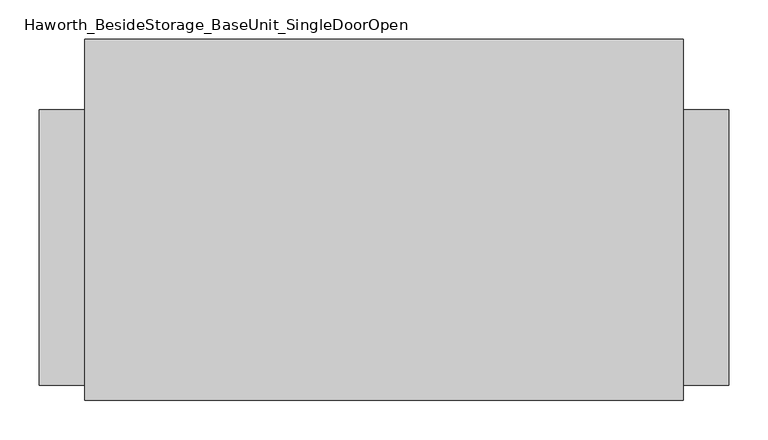
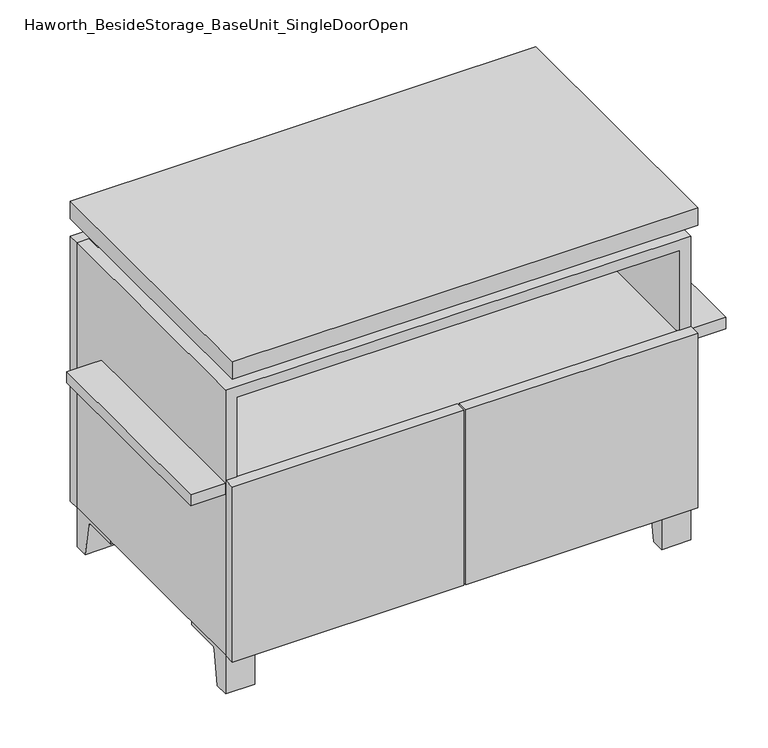
"""IFC4 building model written with IfcOpenShell, lengths in millimetres: furniture geometry, Haworth_BesideStorage_BaseUnit_SingleDoorOpen."""

from ifc_helpers import new_model, si_unit, point, frame, frame_2d, origin, place, context, project, spatial, polyline, circle_curve, trimmed, segment, composite_curve, outline, extrude, faceted_brep, source, transform, mapped, element, save


def haworth_besidestorage_baseunit_singledooropen_20f093f8(model_context):
    return source(origin(), model_context, "Body", "SolidModel", [
        extrude(outline(composite_curve([segment(polyline([(-123.2958469, 0.0), (-146.05, 0.0), (-146.05, 66.675), (-50.8, 66.675), (-50.8, 61.8963321), (-107.6005345, 61.8963321)]), True, "CONTINUOUS"), segment(trimmed(circle_curve(frame_2d((-107.6005345, 55.5463321)), 6.35), [point((-107.6005345, 61.8963321))], [point((-113.8641359, 56.5902656))], True, "CARTESIAN"), True, "CONTINUOUS"), segment(polyline([(-113.8641359, 56.5902656), (-123.2958469, 0.0)]), True, "CONTINUOUS")], self_intersect=False)), frame((331.8013906, 0.0, 0.0), z_axis=(1.0, 0.0, 0.0), x_axis=(0.0, 1.0, 0.0)), (0.0, 0.0, 1.0), 47.625),
        extrude(outline(composite_curve([segment(polyline([(250.2958469, 0.0), (240.8641359, 56.5902656)]), True, "CONTINUOUS"), segment(trimmed(circle_curve(frame_2d((234.6005345, 55.5463321)), 6.35), [point((240.8641359, 56.5902656))], [point((234.6005345, 61.8963321))], True, "CARTESIAN"), True, "CONTINUOUS"), segment(polyline([(234.6005345, 61.8963321), (177.8, 61.8963321), (177.8, 66.675), (273.05, 66.675), (273.05, 0.0), (250.2958469, 0.0)]), True, "CONTINUOUS")], self_intersect=False)), frame((331.8013906, 0.0, 0.0), z_axis=(1.0, 0.0, 0.0), x_axis=(0.0, 1.0, 0.0)), (0.0, 0.0, 1.0), 47.625),
        extrude(outline(composite_curve([segment(polyline([(-123.2958469, 0.0), (-146.05, 0.0), (-146.05, 66.675), (-50.8, 66.675), (-50.8, 61.8963321), (-107.6005345, 61.8963321)]), True, "CONTINUOUS"), segment(trimmed(circle_curve(frame_2d((-107.6005345, 55.5463321)), 6.35), [point((-107.6005345, 61.8963321))], [point((-113.8641359, 56.5902656))], True, "CARTESIAN"), True, "CONTINUOUS"), segment(polyline([(-113.8641359, 56.5902656), (-123.2958469, 0.0)]), True, "CONTINUOUS")], self_intersect=False)), frame((-379.3986094, 0.0, 0.0), z_axis=(1.0, 0.0, 0.0), x_axis=(0.0, 1.0, 0.0)), (0.0, 0.0, 1.0), 47.625),
        extrude(outline(composite_curve([segment(polyline([(250.2958469, 0.0), (240.8641359, 56.5902656)]), True, "CONTINUOUS"), segment(trimmed(circle_curve(frame_2d((234.6005345, 55.5463321)), 6.35), [point((240.8641359, 56.5902656))], [point((234.6005345, 61.8963321))], True, "CARTESIAN"), True, "CONTINUOUS"), segment(polyline([(234.6005345, 61.8963321), (177.8, 61.8963321), (177.8, 66.675), (273.05, 66.675), (273.05, 0.0), (250.2958469, 0.0)]), True, "CONTINUOUS")], self_intersect=False)), frame((-379.3986094, 0.0, 0.0), z_axis=(1.0, 0.0, 0.0), x_axis=(0.0, 1.0, 0.0)), (0.0, 0.0, 1.0), 47.625),
        faceted_brep([(-379.3986094, -146.05, 66.675), (379.4125, -146.05, 66.675), (379.4125, -146.05, 523.875), (-379.3986094, -146.05, 523.875), (-360.3486094, -146.05, 85.725), (-360.3486094, -146.05, 504.825), (360.3694453, -146.05, 504.825), (360.3486094, -146.05, 85.725), (-379.3986094, 273.05, 66.675), (-379.3986094, 273.05, 523.875), (-360.3486094, 273.05, 523.875), (-360.3486094, 273.05, 85.725), (360.3486094, 273.05, 85.725), (360.3486094, 273.05, 523.875), (379.4125, 273.05, 523.875), (379.4125, 273.05, 66.675), (360.3486094, 247.65, 523.875), (-360.3416641, 247.65, 523.875), (-360.3486094, 247.65, 504.825), (360.3486094, 247.65, 504.825)], [[[0, 1, 2, 3], [4, 5, 6, 7]], [[8, 9, 10, 11, 12, 13, 14, 15]], [[1, 0, 8, 15]], [[2, 1, 15, 14]], [[3, 2, 14, 13, 16, 17, 10, 9]], [[0, 3, 9, 8]], [[11, 10, 17, 18, 5, 4]], [[13, 12, 7, 6, 19, 16]], [[4, 7, 12, 11]], [[6, 5, 18, 19]], [[17, 16, 19, 18]]]),
        extrude(outline(polyline([(379.4263906, -165.1), (-379.3986094, -165.1), (-379.3986094, 292.1), (379.4263906, 292.1), (379.4263906, -165.1)])), frame((0.0, 0.0, 554.0375), z_axis=(0.0, 0.0, 1.0), x_axis=(1.0, 0.0, 0.0)), (0.0, 0.0, 1.0), 30.1625),
        faceted_brep([(7.9513906, -69.85, 554.0375), (7.9513906, -69.85, 523.875), (7.9513906, 53.975, 523.875), (7.9513906, 53.975, 554.0375), (7.9513906, 196.85, 523.875), (7.9513906, 196.85, 554.0375), (7.9513906, 73.025, 554.0375), (7.9513906, 73.025, 523.875), (-7.9236094, 196.85, 554.0375), (-7.9236094, 196.85, 523.875), (-7.9236094, 73.025, 523.875), (-7.9236094, 73.025, 554.0375), (-7.9236094, -69.85, 523.875), (-7.9236094, -69.85, 554.0375), (-7.9236094, 53.975, 554.0375), (-7.9236094, 53.975, 523.875), (-338.0958281, 73.025, 554.0375), (-338.1166641, 247.65, 554.0375), (-353.9916641, 247.65, 554.0375), (-353.9916641, -120.65, 554.0375), (-338.1166641, -120.65, 554.0375), (-338.1166641, 53.975, 554.0375), (338.1236094, 53.975, 554.0375), (338.1236094, -120.65, 554.0375), (353.9986094, -120.65, 554.0375), (353.9986094, 247.65, 554.0375), (338.1236094, 247.65, 554.0375), (338.1236094, 73.025, 554.0375), (-338.0958281, 53.975, 523.875), (-338.1166641, -120.65, 523.875), (-353.9916641, -120.65, 523.875), (-353.9916641, 247.65, 523.875), (-338.1166641, 247.65, 523.875), (-338.1166641, 73.025, 523.875), (338.1236094, 73.025, 523.875), (338.1236094, 247.65, 523.875), (353.9986094, 247.65, 523.875), (353.9986094, -120.65, 523.875), (338.1236094, -120.65, 523.875), (338.1236094, 53.975, 523.875)], [[[0, 1, 2, 3]], [[4, 5, 6, 7]], [[8, 9, 10, 11]], [[12, 13, 14, 15]], [[5, 8, 11, 16, 17, 18, 19, 20, 21, 14, 13, 0, 3, 22, 23, 24, 25, 26, 27, 6]], [[1, 12, 15, 28, 29, 30, 31, 32, 33, 10, 9, 4, 7, 34, 35, 36, 37, 38, 39, 2]], [[5, 4, 9, 8]], [[1, 0, 13, 12]], [[6, 27, 34, 7]], [[22, 3, 2, 39]], [[20, 29, 28, 21]], [[32, 17, 16, 33]], [[18, 31, 30, 19]], [[29, 20, 19, 30]], [[17, 32, 31, 18]], [[26, 35, 34, 27]], [[38, 23, 22, 39]], [[25, 24, 37, 36]], [[23, 38, 37, 24]], [[35, 26, 25, 36]], [[16, 11, 10, 33]], [[14, 21, 28, 15]]]),
        extrude(outline(polyline([(379.4263906, 273.05), (-379.3986094, 273.05), (-379.3986094, 292.1), (379.4263906, 292.1), (379.4263906, 273.05)])), frame((0.0, 0.0, 66.675), z_axis=(0.0, 0.0, 1.0), x_axis=(1.0, 0.0, 0.0)), (0.0, 0.0, 1.0), 457.2),
        extrude(outline(polyline([(-360.3416641, 203.2), (-360.3416641, 209.55), (360.3694453, 209.55), (360.3694453, 203.2), (-360.3416641, 203.2)])), frame((0.0, 0.0, 85.725), z_axis=(0.0, 0.0, 1.0), x_axis=(1.0, 0.0, 0.0)), (0.0, 0.0, 1.0), 419.1),
        extrude(outline(polyline([(1.6013906, -165.1), (1.6013906, -146.05), (379.4263906, -146.05), (379.4263906, -165.1), (1.6013906, -165.1)])), frame((0.0, 0.0, 66.675), z_axis=(0.0, 0.0, 1.0), x_axis=(1.0, 0.0, 0.0)), (0.0, 0.0, 1.0), 301.625),
        extrude(outline(polyline([(-1.5736094, -165.1), (-379.3986094, -165.1), (-379.3986094, -146.05), (-1.5736094, -146.05), (-1.5736094, -165.1)])), frame((0.0, 0.0, 66.675), z_axis=(0.0, 0.0, 1.0), x_axis=(1.0, 0.0, 0.0)), (0.0, 0.0, 1.0), 301.625),
        extrude(outline(polyline([(436.5486094, 203.2), (436.5486094, -146.05), (-436.5486094, -146.05), (-436.5486094, 203.2), (436.5486094, 203.2)])), frame((0.0, 0.0, 344.4875), z_axis=(0.0, 0.0, 1.0), x_axis=(1.0, 0.0, 0.0)), (0.0, 0.0, 1.0), 19.05),
    ])


if __name__ == "__main__":
    model = new_model("IFC4")
    model_context = context("Model", 3, world=origin())
    ifc_project = project(units=[si_unit("LENGTHUNIT", "METRE", prefix="MILLI")], contexts=[model_context])
    site = spatial("IfcSite", under=ifc_project)
    building = spatial("IfcBuilding", under=site)
    placement = place(None, origin())
    haworth_besidestorage_baseunit_singledooropen_shape = haworth_besidestorage_baseunit_singledooropen_20f093f8(model_context)
    element("IfcFurniture", 1, ObjectType="Haworth_BesideStorage_BaseUnit_SingleDoorOpen", at=placement, inside=building, context=model_context, shape_type="MappedRepresentation", body=[
        mapped(haworth_besidestorage_baseunit_singledooropen_shape, transform((0.0, 0.0, 0.0), x_axis=(1.0, 0.0, 0.0), y_axis=(0.0, 1.0, 0.0), z_axis=(0.0, 0.0, 1.0))),
    ])
    save(model, "model.ifc")
